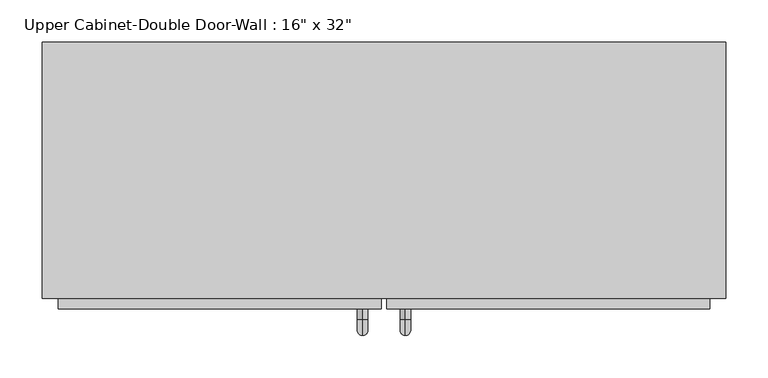
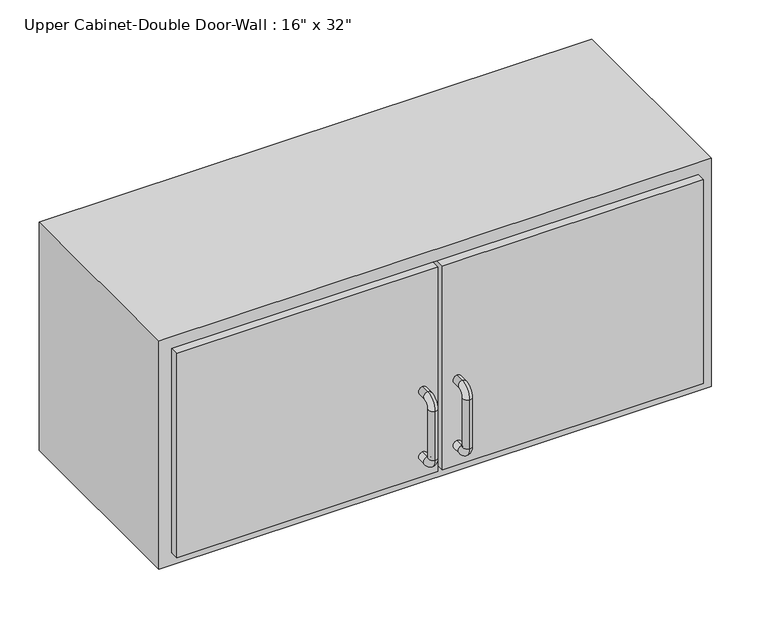
"""IFC4 building model written with IfcOpenShell, lengths in millimetres: furniture geometry."""

from ifc_helpers import new_model, si_unit, point, frame, origin, place, context, project, spatial, polyline, circle_curve, ellipse_curve, trimmed, outline, extrude, faceted_brep, source, transform, mapped, element, save
from ifc_brep_helpers import plane_surface, cylinder_surface, revolved_surface, advanced_brep


def furniture_07107be9(model_context):
    return source(origin(), model_context, "Body", "SolidModel", [
        faceted_brep([(-376.6288372, -61.9125, 2133.6), (436.1711628, -61.9125, 2133.6), (436.1711628, -61.9125, 1778.0), (-376.6288372, -61.9125, 1778.0), (-376.6288372, -366.7125, 2133.6), (-376.6288372, -366.7125, 1778.0), (436.1711628, -366.7125, 1778.0), (436.1711628, -366.7125, 2133.6), (-357.5788372, -366.7125, 2114.55), (417.1211628, -366.7125, 2114.55), (417.1211628, -366.7125, 1797.05), (-357.5788372, -366.7125, 1797.05), (-357.5788372, -80.9625, 2114.55), (417.1211628, -80.9625, 2114.55), (417.1211628, -80.9625, 1797.05), (-357.5788372, -80.9625, 1797.05)], [[[0, 1, 2, 3]], [[4, 5, 6, 7], [8, 9, 10, 11]], [[3, 5, 4, 0]], [[2, 6, 5, 3]], [[1, 7, 6, 2]], [[0, 4, 7, 1]], [[8, 12, 13, 9]], [[9, 13, 14, 10]], [[10, 14, 15, 11]], [[11, 15, 12, 8]], [[12, 15, 14, 13]]]),
        advanced_brep(
        [(55.1711628, -379.4125, 1924.05), (55.1711628, -379.4125, 1936.75), (55.1711628, -392.1125, 1936.75), (55.1711628, -392.1125, 1924.05), (55.1711628, -411.1625, 1917.7), (55.1711628, -398.4625, 1917.7), (55.1711628, -411.1625, 1841.5), (55.1711628, -398.4625, 1841.5), (55.1711628, -392.1125, 1822.45), (55.1711628, -392.1125, 1835.15), (55.1711628, -379.4125, 1835.15), (55.1711628, -379.4125, 1822.45)],
        [
            (0, 1, circle_curve(frame((55.1711628, -379.4125, 1930.4), z_axis=(0.0, 1.0, 0.0), x_axis=(0.0, 0.0, -1.0)), 6.35)),
            (1, 0, circle_curve(frame((55.1711628, -379.4125, 1930.4), z_axis=(0.0, 1.0, 0.0), x_axis=(0.0, 0.0, -1.0)), 6.35)),
            (1, 2),
            (2, 3, circle_curve(frame((55.1711628, -392.1125, 1930.4), z_axis=(0.0, 1.0, 0.0), x_axis=(0.0, 0.0, -1.0)), 6.35)),
            (3, 0),
            (3, 2, circle_curve(frame((55.1711628, -392.1125, 1930.4), z_axis=(0.0, 1.0, 0.0), x_axis=(0.0, 0.0, -1.0)), 6.35)),
            (4, 5, circle_curve(frame((55.1711628, -404.8125, 1917.7), z_axis=(0.0, 0.0, 1.0), x_axis=(0.0, 1.0, 0.0)), 6.35)),
            (5, 3, circle_curve(frame((55.1711628, -392.1125, 1917.7), z_axis=(-1.0, 0.0, 0.0), x_axis=(0.0, 0.0, 1.0)), 6.35)),
            (2, 4, circle_curve(frame((55.1711628, -392.1125, 1917.7), z_axis=(1.0, 0.0, 0.0), x_axis=(0.0, 0.0, 1.0)), 19.05)),
            (5, 4, circle_curve(frame((55.1711628, -404.8125, 1917.7), z_axis=(0.0, 0.0, 1.0), x_axis=(0.0, 1.0, 0.0)), 6.35)),
            (4, 6),
            (6, 7, circle_curve(frame((55.1711628, -404.8125, 1841.5), z_axis=(0.0, 0.0, 1.0), x_axis=(0.0, 1.0, 0.0)), 6.35)),
            (7, 5),
            (7, 6, circle_curve(frame((55.1711628, -404.8125, 1841.5), z_axis=(0.0, 0.0, 1.0), x_axis=(0.0, 1.0, 0.0)), 6.35)),
            (8, 9, circle_curve(frame((55.1711628, -392.1125, 1828.8), z_axis=(0.0, -1.0, 0.0), x_axis=(0.0, 0.0, 1.0)), 6.35)),
            (9, 7, circle_curve(frame((55.1711628, -392.1125, 1841.5), z_axis=(-1.0, 0.0, 0.0), x_axis=(0.0, -1.0, 0.0)), 6.35)),
            (6, 8, circle_curve(frame((55.1711628, -392.1125, 1841.5), z_axis=(1.0, 0.0, 0.0), x_axis=(0.0, -1.0, 0.0)), 19.05)),
            (9, 8, circle_curve(frame((55.1711628, -392.1125, 1828.8), z_axis=(0.0, -1.0, 0.0), x_axis=(0.0, 0.0, 1.0)), 6.35)),
            (10, 11, circle_curve(frame((55.1711628, -379.4125, 1828.8), z_axis=(0.0, 1.0, 0.0), x_axis=(0.0, 0.0, 1.0)), 6.35)),
            (11, 10, circle_curve(frame((55.1711628, -379.4125, 1828.8), z_axis=(0.0, 1.0, 0.0), x_axis=(0.0, 0.0, 1.0)), 6.35)),
            (8, 11),
            (10, 9),
        ],
        [
            plane_surface(frame((48.8211628, -379.4125, 1930.4), z_axis=(0.0, 1.0, 0.0), x_axis=(0.0, 0.0, 1.0))),
            cylinder_surface(frame((55.1711628, -379.4125, 1930.4), z_axis=(0.0, 1.0, 0.0), x_axis=(0.0, 0.0, -1.0)), 6.35),
            revolved_surface(trimmed(ellipse_curve(frame((55.1711628, -392.1125, 1930.4), z_axis=(0.0, -1.0, 0.0), x_axis=(0.0, 0.0, -1.0)), 6.35, 6.35), [point((55.1711628, -392.1125, 1924.05))], [point((55.1711628, -392.1125, 1936.75))], True, "CARTESIAN"), (55.1711628, -392.1125, 1917.7), (-1.0, 0.0, 0.0)),
            revolved_surface(trimmed(ellipse_curve(frame((55.1711628, -392.1125, 1930.4), z_axis=(0.0, -1.0, 0.0), x_axis=(0.0, 0.0, -1.0)), 6.35, 6.35), [point((55.1711628, -392.1125, 1936.75))], [point((55.1711628, -392.1125, 1924.05))], True, "CARTESIAN"), (55.1711628, -392.1125, 1917.7), (-1.0, 0.0, 0.0)),
            cylinder_surface(frame((55.1711628, -404.8125, 1917.7), z_axis=(0.0, 0.0, 1.0), x_axis=(0.0, 1.0, 0.0)), 6.35),
            revolved_surface(trimmed(ellipse_curve(frame((55.1711628, -404.8125, 1841.5), z_axis=(0.0, 0.0, -1.0), x_axis=(0.0, 1.0, 0.0)), 6.35, 6.35), [point((55.1711628, -398.4625, 1841.5))], [point((55.1711628, -411.1625, 1841.5))], True, "CARTESIAN"), (55.1711628, -392.1125, 1841.5), (-1.0, 0.0, 0.0)),
            revolved_surface(trimmed(ellipse_curve(frame((55.1711628, -404.8125, 1841.5), z_axis=(0.0, 0.0, -1.0), x_axis=(0.0, 1.0, 0.0)), 6.35, 6.35), [point((55.1711628, -411.1625, 1841.5))], [point((55.1711628, -398.4625, 1841.5))], True, "CARTESIAN"), (55.1711628, -392.1125, 1841.5), (-1.0, 0.0, 0.0)),
            plane_surface(frame((48.8211628, -379.4125, 1828.8), z_axis=(0.0, 1.0, 0.0), x_axis=(0.0, 0.0, -1.0))),
            cylinder_surface(frame((55.1711628, -392.1125, 1828.8), z_axis=(0.0, -1.0, 0.0), x_axis=(0.0, 0.0, 1.0)), 6.35),
        ],
        [
            (0, [[1, 2]]),
            (1, [[3, 4, 5, -2]]),
            (1, [[-5, 6, -3, -1]]),
            (2, [[7, 8, -4, 9]]),
            (3, [[10, -9, -6, -8]]),
            (4, [[11, 12, 13, -7]]),
            (4, [[-13, 14, -11, -10]]),
            (5, [[15, 16, -12, 17]]),
            (6, [[18, -17, -14, -16]]),
            (7, [[19, 20]]),
            (8, [[21, -19, 22, -15]]),
            (8, [[-22, -20, -21, -18]]),
        ],
    ),
        advanced_brep(
        [(4.3711628, -379.4125, 1924.05), (4.3711628, -379.4125, 1936.75), (4.3711628, -392.1125, 1936.75), (4.3711628, -392.1125, 1924.05), (4.3711628, -411.1625, 1917.7), (4.3711628, -398.4625, 1917.7), (4.3711628, -411.1625, 1841.5), (4.3711628, -398.4625, 1841.5), (4.3711628, -392.1125, 1822.45), (4.3711628, -392.1125, 1835.15), (4.3711628, -379.4125, 1835.15), (4.3711628, -379.4125, 1822.45)],
        [
            (0, 1, circle_curve(frame((4.3711628, -379.4125, 1930.4), z_axis=(0.0, 1.0, 0.0), x_axis=(0.0, 0.0, 1.0)), 6.35)),
            (1, 0, circle_curve(frame((4.3711628, -379.4125, 1930.4), z_axis=(0.0, 1.0, 0.0), x_axis=(0.0, 0.0, 1.0)), 6.35)),
            (1, 2),
            (2, 3, circle_curve(frame((4.3711628, -392.1125, 1930.4), z_axis=(0.0, 1.0, 0.0), x_axis=(0.0, 0.0, 1.0)), 6.35)),
            (3, 0),
            (3, 2, circle_curve(frame((4.3711628, -392.1125, 1930.4), z_axis=(0.0, 1.0, 0.0), x_axis=(0.0, 0.0, 1.0)), 6.35)),
            (4, 5, circle_curve(frame((4.3711628, -404.8125, 1917.7), z_axis=(0.0, 0.0, 1.0), x_axis=(0.0, -1.0, 0.0)), 6.35)),
            (5, 3, circle_curve(frame((4.3711628, -392.1125, 1917.7), z_axis=(-1.0, 0.0, 0.0), x_axis=(0.0, 0.0, 1.0)), 6.35)),
            (2, 4, circle_curve(frame((4.3711628, -392.1125, 1917.7), z_axis=(1.0, 0.0, 0.0), x_axis=(0.0, 0.0, 1.0)), 19.05)),
            (5, 4, circle_curve(frame((4.3711628, -404.8125, 1917.7), z_axis=(0.0, 0.0, 1.0), x_axis=(0.0, -1.0, 0.0)), 6.35)),
            (4, 6),
            (6, 7, circle_curve(frame((4.3711628, -404.8125, 1841.5), z_axis=(0.0, 0.0, 1.0), x_axis=(0.0, -1.0, 0.0)), 6.35)),
            (7, 5),
            (7, 6, circle_curve(frame((4.3711628, -404.8125, 1841.5), z_axis=(0.0, 0.0, 1.0), x_axis=(0.0, -1.0, 0.0)), 6.35)),
            (8, 9, circle_curve(frame((4.3711628, -392.1125, 1828.8), z_axis=(0.0, -1.0, 0.0), x_axis=(0.0, 0.0, -1.0)), 6.35)),
            (9, 7, circle_curve(frame((4.3711628, -392.1125, 1841.5), z_axis=(-1.0, 0.0, 0.0), x_axis=(0.0, -1.0, 0.0)), 6.35)),
            (6, 8, circle_curve(frame((4.3711628, -392.1125, 1841.5), z_axis=(1.0, 0.0, 0.0), x_axis=(0.0, -1.0, 0.0)), 19.05)),
            (9, 8, circle_curve(frame((4.3711628, -392.1125, 1828.8), z_axis=(0.0, -1.0, 0.0), x_axis=(0.0, 0.0, -1.0)), 6.35)),
            (10, 11, circle_curve(frame((4.3711628, -379.4125, 1828.8), z_axis=(0.0, 1.0, 0.0), x_axis=(0.0, 0.0, -1.0)), 6.35)),
            (11, 10, circle_curve(frame((4.3711628, -379.4125, 1828.8), z_axis=(0.0, 1.0, 0.0), x_axis=(0.0, 0.0, -1.0)), 6.35)),
            (8, 11),
            (10, 9),
        ],
        [
            plane_surface(frame((-1.9788372, -379.4125, 1930.4), z_axis=(0.0, 1.0, 0.0), x_axis=(0.0, 0.0, 1.0))),
            cylinder_surface(frame((4.3711628, -379.4125, 1930.4), z_axis=(0.0, 1.0, 0.0), x_axis=(0.0, 0.0, 1.0)), 6.35),
            revolved_surface(trimmed(ellipse_curve(frame((4.3711628, -392.1125, 1930.4), z_axis=(0.0, -1.0, 0.0), x_axis=(0.0, 0.0, 1.0)), 6.35, 6.35), [point((4.3711628, -392.1125, 1924.05))], [point((4.3711628, -392.1125, 1936.75))], True, "CARTESIAN"), (4.3711628, -392.1125, 1917.7), (-1.0, 0.0, 0.0)),
            revolved_surface(trimmed(ellipse_curve(frame((4.3711628, -392.1125, 1930.4), z_axis=(0.0, -1.0, 0.0), x_axis=(0.0, 0.0, 1.0)), 6.35, 6.35), [point((4.3711628, -392.1125, 1936.75))], [point((4.3711628, -392.1125, 1924.05))], True, "CARTESIAN"), (4.3711628, -392.1125, 1917.7), (-1.0, 0.0, 0.0)),
            cylinder_surface(frame((4.3711628, -404.8125, 1917.7), z_axis=(0.0, 0.0, 1.0), x_axis=(0.0, -1.0, 0.0)), 6.35),
            revolved_surface(trimmed(ellipse_curve(frame((4.3711628, -404.8125, 1841.5), z_axis=(0.0, 0.0, -1.0), x_axis=(0.0, -1.0, 0.0)), 6.35, 6.35), [point((4.3711628, -398.4625, 1841.5))], [point((4.3711628, -411.1625, 1841.5))], True, "CARTESIAN"), (4.3711628, -392.1125, 1841.5), (-1.0, 0.0, 0.0)),
            revolved_surface(trimmed(ellipse_curve(frame((4.3711628, -404.8125, 1841.5), z_axis=(0.0, 0.0, -1.0), x_axis=(0.0, -1.0, 0.0)), 6.35, 6.35), [point((4.3711628, -411.1625, 1841.5))], [point((4.3711628, -398.4625, 1841.5))], True, "CARTESIAN"), (4.3711628, -392.1125, 1841.5), (-1.0, 0.0, 0.0)),
            plane_surface(frame((-1.9788372, -379.4125, 1828.8), z_axis=(0.0, 1.0, 0.0), x_axis=(0.0, 0.0, -1.0))),
            cylinder_surface(frame((4.3711628, -392.1125, 1828.8), z_axis=(0.0, -1.0, 0.0), x_axis=(0.0, 0.0, -1.0)), 6.35),
        ],
        [
            (0, [[1, 2]]),
            (1, [[3, 4, 5, -2]]),
            (1, [[-5, 6, -3, -1]]),
            (2, [[7, 8, -4, 9]]),
            (3, [[10, -9, -6, -8]]),
            (4, [[11, 12, 13, -7]]),
            (4, [[-13, 14, -11, -10]]),
            (5, [[15, 16, -12, 17]]),
            (6, [[18, -17, -14, -16]]),
            (7, [[19, 20]]),
            (8, [[21, -19, 22, -15]]),
            (8, [[-22, -20, -21, -18]]),
        ],
    ),
        extrude(outline(polyline([(32.9461628, -379.4125), (32.9461628, -347.6625), (417.1211628, -347.6625), (417.1211628, -379.4125), (32.9461628, -379.4125)])), frame((0.0, 0.0, 1797.05), z_axis=(0.0, 0.0, 1.0), x_axis=(1.0, 0.0, 0.0)), (0.0, 0.0, 1.0), 317.5),
        extrude(outline(polyline([(-357.5788372, -379.4125), (-357.5788372, -347.6625), (26.5961628, -347.6625), (26.5961628, -379.4125), (-357.5788372, -379.4125)])), frame((0.0, 0.0, 1797.05), z_axis=(0.0, 0.0, 1.0), x_axis=(1.0, 0.0, 0.0)), (0.0, 0.0, 1.0), 317.5),
    ])


if __name__ == "__main__":
    model = new_model("IFC4")
    model_context = context("Model", 3, world=origin())
    ifc_project = project(units=[si_unit("LENGTHUNIT", "METRE", prefix="MILLI")], contexts=[model_context])
    site = spatial("IfcSite", under=ifc_project)
    building = spatial("IfcBuilding", under=site)
    placement = place(None, origin())
    furniture_shape = furniture_07107be9(model_context)
    element("IfcFurniture", 1, ObjectType="Upper Cabinet-Double Door-Wall : 16\" x 32\"", at=placement, inside=building, context=model_context, shape_type="MappedRepresentation", body=[
        mapped(furniture_shape, transform((0.0, 0.0, 0.0), x_axis=(1.0, 0.0, 0.0), y_axis=(0.0, 1.0, 0.0), z_axis=(0.0, 0.0, 1.0))),
    ])
    save(model, "model.ifc")
